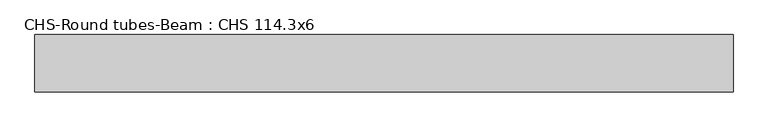
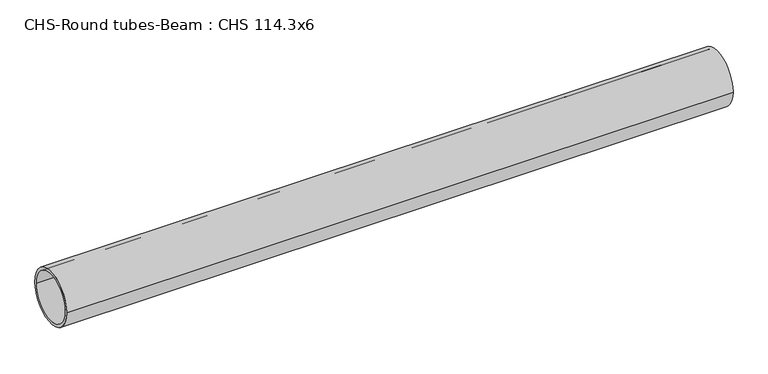
"""IFC4 building model written with IfcOpenShell, lengths in millimetres: beam geometry, CHS-Round tubes-Beam : CHS 114.3x6."""

import ifcopenshell
import ifcopenshell.guid

model = None  # the IFC model being written
_history = None  # IfcOwnerHistory: only IFC2X3 demands one
_inside = {}  # id of a spatial element -> (the spatial element, [elements in it])
_under = {}  # id of a project, library or spatial element -> (it, [spatial elements below it])
_declared = {}  # id of a project -> (the project, [libraries it declares])
_typed = {}  # id of a type object -> (the type object, [elements of that type])
_made_of = {}  # id of a material, layer set ... -> (it, [elements and type objects made of it])


def new_model(schema):
    """Start an empty IFC model of exactly this schema.

    Asked for "IFC4X3", IfcOpenShell would pick the latest addendum, in which some entities
    have other attributes; the version numbers below select the first issue.
    IFC2X3 requires an IfcOwnerHistory on every rooted entity: one is made here for all.
    """
    global model, _history
    if schema == "IFC4X3":
        model = ifcopenshell.file(schema_version=(4, 3, 0, 0))
    else:
        model = ifcopenshell.file(schema=schema)
    _inside.clear()
    _under.clear()
    _declared.clear()
    _typed.clear()
    _made_of.clear()
    _history = None
    if model.schema == "IFC2X3":
        org = make("IfcOrganization", Name="unknown")
        user = make(
            "IfcPersonAndOrganization",
            ThePerson=make("IfcPerson", FamilyName="unknown"),
            TheOrganization=org,
        )
        app = make(
            "IfcApplication",
            ApplicationDeveloper=org,
            Version="unknown",
            ApplicationFullName="unknown",
            ApplicationIdentifier="unknown",
        )
        _history = make(
            "IfcOwnerHistory",
            OwningUser=user,
            OwningApplication=app,
            ChangeAction="ADDED",
            CreationDate=0,
        )
    return model


def make(cls, **values):
    """One entity of the class cls with the attributes given. An attribute that is None is left unset."""
    return model.create_entity(
        cls, **{name: value for name, value in values.items() if value is not None}
    )


def rooted(cls, **values):
    """An entity with a GlobalId (a new one), such as an element, a storey or a relation."""
    return make(cls, GlobalId=ifcopenshell.guid.new(), OwnerHistory=_history, **values)


def si_unit(unit_type, name, prefix=None):
    """IfcSIUnit, for example si_unit("LENGTHUNIT", "METRE", prefix="MILLI")."""
    return make("IfcSIUnit", UnitType=unit_type, Prefix=prefix, Name=name)


def assignment(units):
    """IfcUnitAssignment: the units of a project."""
    return None if units is None else make("IfcUnitAssignment", Units=units)


def point(xyz):
    """IfcCartesianPoint."""
    return None if xyz is None else make("IfcCartesianPoint", Coordinates=xyz)


def direction(xyz):
    """IfcDirection."""
    return None if xyz is None else make("IfcDirection", DirectionRatios=xyz)


def frame(location, z_axis=None, x_axis=None):
    """IfcAxis2Placement3D, a coordinate frame: its origin and axes. An axis left out is left unset."""
    return make(
        "IfcAxis2Placement3D",
        Location=point(location),
        Axis=direction(z_axis),
        RefDirection=direction(x_axis),
    )


def frame_2d(location, x_axis=None):
    """IfcAxis2Placement2D, a coordinate frame in the plane: its origin and x axis."""
    return make(
        "IfcAxis2Placement2D", Location=point(location), RefDirection=direction(x_axis)
    )


def origin():
    """The frame at (0, 0, 0) with its axes left unset."""
    return frame((0.0, 0.0, 0.0))


def origin_2d():
    """The frame at (0, 0) in the plane with its x axis left unset."""
    return frame_2d((0.0, 0.0))


def place(relative_to, where):
    """IfcLocalPlacement: puts the frame where relative to a parent placement (None: the world)."""
    return make(
        "IfcLocalPlacement", PlacementRelTo=relative_to, RelativePlacement=where
    )


def context(
    kind, dimensions, precision=None, world=None, true_north=None, identifier=None
):
    """IfcGeometricRepresentationContext, for example the 3D "Model" context."""
    return make(
        "IfcGeometricRepresentationContext",
        ContextIdentifier=identifier,
        ContextType=kind,
        CoordinateSpaceDimension=dimensions,
        Precision=precision,
        WorldCoordinateSystem=world,
        TrueNorth=true_north,
    )


def project(units=None, contexts=None):
    """IfcProject with its units and contexts."""
    return rooted(
        "IfcProject",
        Name="project",
        RepresentationContexts=contexts,
        UnitsInContext=assignment(units),
    )


def spatial(cls, under=None, at=None, **own):
    """A site, building, storey or space (cls), placed at a placement, below another one or the project."""
    s = rooted(cls, ObjectPlacement=at, **own)
    if under is not None:
        _under.setdefault(under.id(), (under, []))[1].append(s)
    return s


def circle_curve(where, radius):
    """IfcCircle in the frame where."""
    return make("IfcCircle", Position=where, Radius=radius)


def trimmed(basis, trim1, trim2, sense, master):
    """IfcTrimmedCurve: the piece of a basis curve between two trims."""
    return make(
        "IfcTrimmedCurve",
        BasisCurve=basis,
        Trim1=trim1,
        Trim2=trim2,
        SenseAgreement=sense,
        MasterRepresentation=master,
    )


def segment(curve, same_sense, transition):
    """IfcCompositeCurveSegment."""
    return make(
        "IfcCompositeCurveSegment",
        Transition=transition,
        SameSense=same_sense,
        ParentCurve=curve,
    )


def composite_curve(segments, self_intersect=None):
    """IfcCompositeCurve: segments joined end to end."""
    return make("IfcCompositeCurve", Segments=segments, SelfIntersect=self_intersect)


def outline(outer, holes=None, kind="AREA"):
    """IfcArbitraryClosedProfileDef: a profile drawn as a closed curve; with holes, ...WithVoids."""
    if holes is None:
        return make("IfcArbitraryClosedProfileDef", ProfileType=kind, OuterCurve=outer)
    return make(
        "IfcArbitraryProfileDefWithVoids",
        ProfileType=kind,
        OuterCurve=outer,
        InnerCurves=holes,
    )


def extrude(swept, where, along, depth):
    """IfcExtrudedAreaSolid: the profile swept, set in the frame where, extruded along a direction by depth."""
    return make(
        "IfcExtrudedAreaSolid",
        SweptArea=swept,
        Position=where,
        ExtrudedDirection=direction(along),
        Depth=depth,
    )


def shape(context_of_items, identifier, shape_type, items):
    """IfcShapeRepresentation: the items that make up one representation, for example the "Body"."""
    return make(
        "IfcShapeRepresentation",
        ContextOfItems=context_of_items,
        RepresentationIdentifier=identifier,
        RepresentationType=shape_type,
        Items=items,
    )


def source(mapping_origin, context_of_items, identifier, shape_type, items):
    """IfcRepresentationMap: a shape defined once, which mapped items show again and again."""
    return make(
        "IfcRepresentationMap",
        MappingOrigin=mapping_origin,
        MappedRepresentation=shape(context_of_items, identifier, shape_type, items),
    )


def transform(
    local_origin,
    x_axis=None,
    y_axis=None,
    z_axis=None,
    scale=None,
    scale2=None,
    scale3=None,
    uniform=True,
):
    """IfcCartesianTransformationOperator3D, or its non-uniform kind. x_axis, y_axis, z_axis: its Axis1, 2, 3."""
    if uniform:
        return make(
            "IfcCartesianTransformationOperator3D",
            Axis1=direction(x_axis),
            Axis2=direction(y_axis),
            LocalOrigin=point(local_origin),
            Scale=scale,
            Axis3=direction(z_axis),
        )
    return make(
        "IfcCartesianTransformationOperator3DnonUniform",
        Axis1=direction(x_axis),
        Axis2=direction(y_axis),
        LocalOrigin=point(local_origin),
        Scale=scale,
        Axis3=direction(z_axis),
        Scale2=scale2,
        Scale3=scale3,
    )


def mapped(mapping_source, mapping_target):
    """IfcMappedItem: shows the shape of a source again, moved by a transform."""
    return make(
        "IfcMappedItem", MappingSource=mapping_source, MappingTarget=mapping_target
    )


def made_of(thing, what):
    """Note that an element or type object is made of a material, layer set ...; save() writes the relation."""
    if what is not None:
        _made_of.setdefault(what.id(), (what, []))[1].append(thing)
    return thing


def element(
    cls,
    number,
    at=None,
    inside=None,
    cuts=None,
    type_object=None,
    material=None,
    context=None,
    identifier="Body",
    shape_type=None,
    held_by="IfcProductDefinitionShape",
    body=None,
    shapes=None,
    **own,
):
    """One element of the class cls, such as IfcWall. Its Tag is "e" and its number.

    at: its placement. inside: the storey or other place that contains it. cuts: it is an
    opening in that element (IfcRelVoidsElement). A single representation is given by context,
    identifier, shape_type and body (its items); several are given by shapes. held_by: the class
    of the entity that holds the representations. save() writes the other relations.
    """
    e = rooted(cls, Tag="e%d" % number, ObjectPlacement=at, **own)
    if body is not None:
        shapes = [shape(context, identifier, shape_type, body)]
    if shapes is not None:
        e.Representation = make(held_by, Representations=shapes)
    if inside is not None:
        _inside.setdefault(inside.id(), (inside, []))[1].append(e)
    if cuts is not None:
        rooted(
            "IfcRelVoidsElement", RelatingBuildingElement=cuts, RelatedOpeningElement=e
        )
    if type_object is not None:
        _typed.setdefault(type_object.id(), (type_object, []))[1].append(e)
    return made_of(e, material)


def aggregate(whole, parts):
    """IfcRelAggregates: a whole, such as a stair, and the parts it consists of."""
    return rooted("IfcRelAggregates", RelatingObject=whole, RelatedObjects=parts)


def save(model, path):
    """Write the relations noted so far, then the file.

    IfcRelAggregates (storeys below a building ...), IfcRelContainedInSpatialStructure (elements
    in a storey), IfcRelDefinesByType, IfcRelAssociatesMaterial and IfcRelDeclares: one each for
    every whole, place, type object, material and project.
    """
    for whole, parts in _under.values():
        aggregate(whole, parts)
    for where, things in _inside.values():
        rooted(
            "IfcRelContainedInSpatialStructure",
            RelatedElements=things,
            RelatingStructure=where,
        )
    for kind, things in _typed.values():
        rooted("IfcRelDefinesByType", RelatedObjects=things, RelatingType=kind)
    for what, things in _made_of.values():
        rooted("IfcRelAssociatesMaterial", RelatedObjects=things, RelatingMaterial=what)
    for by, libraries in _declared.values():
        rooted("IfcRelDeclares", RelatingContext=by, RelatedDefinitions=libraries)
    model.write(path)


def chs_round_tubes_beam_chs_114_3x6_33cada35(model_context):
    return source(origin(), model_context, "Body", "SweptSolid", [
        extrude(outline(composite_curve([segment(trimmed(circle_curve(origin_2d(), 57.15), [point((57.15, 0.0))], [point((-57.15, 0.0))], False, "CARTESIAN"), True, "CONTINUOUS"), segment(trimmed(circle_curve(origin_2d(), 57.15), [point((-57.15, 0.0))], [point((57.15, 0.0))], False, "CARTESIAN"), True, "CONTINUOUS")], self_intersect=False), holes=[composite_curve([segment(trimmed(circle_curve(origin_2d(), 51.15), [point((51.15, 0.0))], [point((-51.15, 0.0))], True, "CARTESIAN"), True, "CONTINUOUS"), segment(trimmed(circle_curve(origin_2d(), 51.15), [point((-51.15, 0.0))], [point((51.15, 0.0))], True, "CARTESIAN"), True, "CONTINUOUS")], self_intersect=False)]), frame((-772.0677771, 0.0, 0.0), z_axis=(1.0, 0.0, 0.0), x_axis=(0.0, 1.0, 0.0)), (0.0, 0.0, 1.0), 1390.6403369),
    ])


if __name__ == "__main__":
    model = new_model("IFC4")
    model_context = context("Model", 3, world=origin())
    ifc_project = project(units=[si_unit("LENGTHUNIT", "METRE", prefix="MILLI")], contexts=[model_context])
    site = spatial("IfcSite", under=ifc_project)
    building = spatial("IfcBuilding", under=site)
    placement = place(None, origin())
    chs_round_tubes_beam_chs_114_3x6_shape = chs_round_tubes_beam_chs_114_3x6_33cada35(model_context)
    element("IfcBeam", 1, ObjectType="CHS-Round tubes-Beam : CHS 114.3x6", at=placement, inside=building, context=model_context, shape_type="MappedRepresentation", body=[
        mapped(chs_round_tubes_beam_chs_114_3x6_shape, transform((0.0, 0.0, 0.0), x_axis=(1.0, 0.0, 0.0), y_axis=(0.0, 1.0, 0.0), z_axis=(0.0, 0.0, 1.0))),
    ])
    save(model, "model.ifc")
